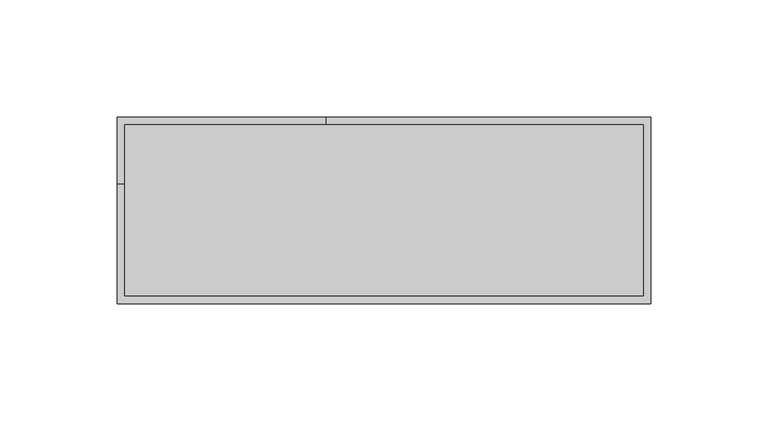
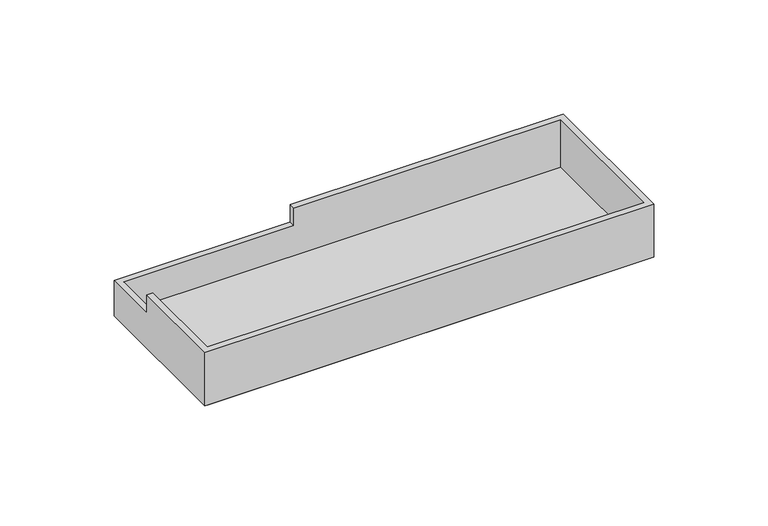
"""IFC4 building model written with IfcOpenShell, lengths in millimetres: furniture geometry."""

from ifc_helpers import new_model, si_unit, frame, origin, place, context, project, spatial, polyline, outline, extrude, faceted_brep, source, transform, mapped, element, save


def furniture_25186a3f(model_context):
    return source(origin(), model_context, "Body", "SolidModel", [
        extrude(outline(polyline([(223.3551674, 3.7973594), (3.9749535, 3.7973594), (3.9749535, 75.5777164), (223.3551674, 75.5777164), (223.3551674, 3.7973594)]), holes=[polyline([(5.6260155, 73.9266544), (5.6260155, 5.4482761), (221.7041054, 5.4482761), (221.7041054, 73.9266544), (5.6260155, 73.9266544)])]), frame((0.0, 0.0, 723.9), z_axis=(0.0, 0.0, 1.0), x_axis=(1.0, 0.0, 0.0)), (0.0, 0.0, 1.0), 3.0479971),
        faceted_brep([(0.0, 0.0, 755.523), (227.3299248, 0.0, 755.523), (227.3299248, 79.375, 755.523), (89.1000939, 79.375, 755.523), (89.1000939, 76.3270756, 755.523), (224.2817935, 76.3270756, 755.523), (224.2817935, 3.0479618, 755.523), (115.4045411, 3.0479618, 755.523), (3.0481312, 3.0479618, 755.523), (3.0481312, 50.8000137, 755.523), (0.0, 50.8000137, 755.523), (227.3299248, 0.0, 726.9479971), (0.0, 0.0, 726.9479971), (0.0, 50.8000137, 745.998), (0.0, 79.375, 745.998), (0.0, 79.375, 726.9479971), (3.0481312, 50.8000137, 745.998), (3.0481312, 3.0479618, 729.9959942), (3.0481312, 76.327, 729.9959942), (3.0481312, 76.327, 745.998), (115.4045411, 3.0479618, 729.9959942), (224.2817935, 3.0479618, 729.9959942), (224.2817935, 76.3270756, 729.9959942), (89.1000939, 76.3270756, 745.998), (89.1000939, 79.375, 745.998), (227.3299248, 79.375, 726.9479971)], [[[0, 1, 2, 3, 4, 5, 6, 7, 8, 9, 10]], [[11, 1, 0, 12]], [[10, 13, 14, 15, 12, 0]], [[9, 16, 13, 10]], [[8, 17, 18, 19, 16, 9]], [[7, 20, 17, 8]], [[6, 21, 20, 7]], [[5, 22, 21, 6]], [[4, 23, 19, 18, 22, 5]], [[3, 24, 23, 4]], [[2, 25, 15, 14, 24, 3]], [[1, 11, 25, 2]], [[17, 20, 21, 22, 18]], [[11, 12, 15, 25]], [[23, 24, 14, 13, 16, 19]]]),
    ])


if __name__ == "__main__":
    model = new_model("IFC4")
    model_context = context("Model", 3, world=origin())
    ifc_project = project(units=[si_unit("LENGTHUNIT", "METRE", prefix="MILLI")], contexts=[model_context])
    site = spatial("IfcSite", under=ifc_project)
    building = spatial("IfcBuilding", under=site)
    placement = place(None, origin())
    furniture_shape = furniture_25186a3f(model_context)
    element("IfcFurniture", 1, at=placement, inside=building, context=model_context, shape_type="MappedRepresentation", body=[
        mapped(furniture_shape, transform((0.0, 0.0, 0.0), x_axis=(1.0, 0.0, 0.0), y_axis=(0.0, 1.0, 0.0), z_axis=(0.0, 0.0, 1.0))),
    ])
    save(model, "model.ifc")
